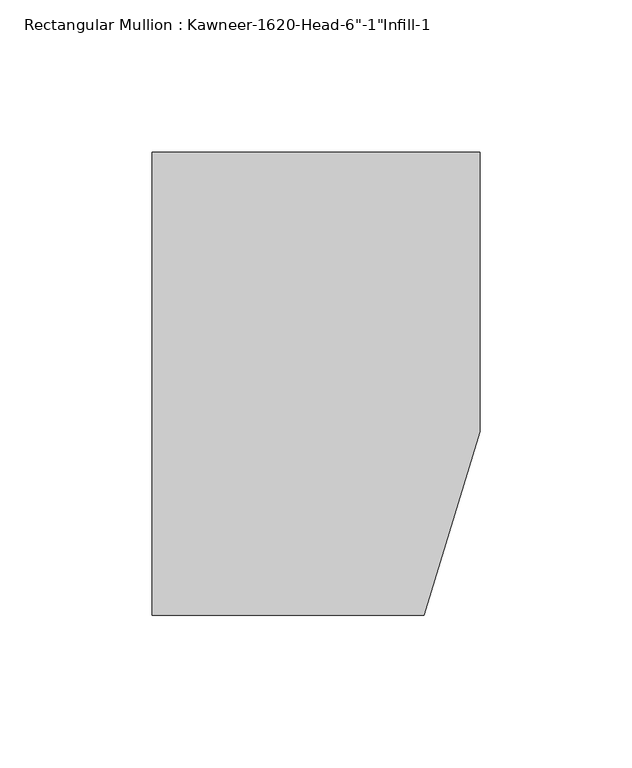
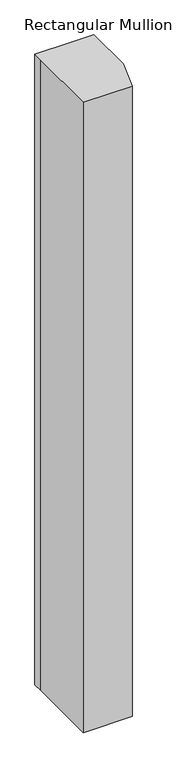
"""IFC4 building model written with IfcOpenShell, lengths in millimetres: member geometry."""

import ifcopenshell
import ifcopenshell.guid

model = None  # the IFC model being written
_history = None  # IfcOwnerHistory: only IFC2X3 demands one
_inside = {}  # id of a spatial element -> (the spatial element, [elements in it])
_under = {}  # id of a project, library or spatial element -> (it, [spatial elements below it])
_declared = {}  # id of a project -> (the project, [libraries it declares])
_typed = {}  # id of a type object -> (the type object, [elements of that type])
_made_of = {}  # id of a material, layer set ... -> (it, [elements and type objects made of it])


def new_model(schema):
    """Start an empty IFC model of exactly this schema.

    Asked for "IFC4X3", IfcOpenShell would pick the latest addendum, in which some entities
    have other attributes; the version numbers below select the first issue.
    IFC2X3 requires an IfcOwnerHistory on every rooted entity: one is made here for all.
    """
    global model, _history
    if schema == "IFC4X3":
        model = ifcopenshell.file(schema_version=(4, 3, 0, 0))
    else:
        model = ifcopenshell.file(schema=schema)
    _inside.clear()
    _under.clear()
    _declared.clear()
    _typed.clear()
    _made_of.clear()
    _history = None
    if model.schema == "IFC2X3":
        org = make("IfcOrganization", Name="unknown")
        user = make(
            "IfcPersonAndOrganization",
            ThePerson=make("IfcPerson", FamilyName="unknown"),
            TheOrganization=org,
        )
        app = make(
            "IfcApplication",
            ApplicationDeveloper=org,
            Version="unknown",
            ApplicationFullName="unknown",
            ApplicationIdentifier="unknown",
        )
        _history = make(
            "IfcOwnerHistory",
            OwningUser=user,
            OwningApplication=app,
            ChangeAction="ADDED",
            CreationDate=0,
        )
    return model


def make(cls, **values):
    """One entity of the class cls with the attributes given. An attribute that is None is left unset."""
    return model.create_entity(
        cls, **{name: value for name, value in values.items() if value is not None}
    )


def rooted(cls, **values):
    """An entity with a GlobalId (a new one), such as an element, a storey or a relation."""
    return make(cls, GlobalId=ifcopenshell.guid.new(), OwnerHistory=_history, **values)


def si_unit(unit_type, name, prefix=None):
    """IfcSIUnit, for example si_unit("LENGTHUNIT", "METRE", prefix="MILLI")."""
    return make("IfcSIUnit", UnitType=unit_type, Prefix=prefix, Name=name)


def assignment(units):
    """IfcUnitAssignment: the units of a project."""
    return None if units is None else make("IfcUnitAssignment", Units=units)


def point(xyz):
    """IfcCartesianPoint."""
    return None if xyz is None else make("IfcCartesianPoint", Coordinates=xyz)


def direction(xyz):
    """IfcDirection."""
    return None if xyz is None else make("IfcDirection", DirectionRatios=xyz)


def frame(location, z_axis=None, x_axis=None):
    """IfcAxis2Placement3D, a coordinate frame: its origin and axes. An axis left out is left unset."""
    return make(
        "IfcAxis2Placement3D",
        Location=point(location),
        Axis=direction(z_axis),
        RefDirection=direction(x_axis),
    )


def origin():
    """The frame at (0, 0, 0) with its axes left unset."""
    return frame((0.0, 0.0, 0.0))


def place(relative_to, where):
    """IfcLocalPlacement: puts the frame where relative to a parent placement (None: the world)."""
    return make(
        "IfcLocalPlacement", PlacementRelTo=relative_to, RelativePlacement=where
    )


def context(
    kind, dimensions, precision=None, world=None, true_north=None, identifier=None
):
    """IfcGeometricRepresentationContext, for example the 3D "Model" context."""
    return make(
        "IfcGeometricRepresentationContext",
        ContextIdentifier=identifier,
        ContextType=kind,
        CoordinateSpaceDimension=dimensions,
        Precision=precision,
        WorldCoordinateSystem=world,
        TrueNorth=true_north,
    )


def project(units=None, contexts=None):
    """IfcProject with its units and contexts."""
    return rooted(
        "IfcProject",
        Name="project",
        RepresentationContexts=contexts,
        UnitsInContext=assignment(units),
    )


def spatial(cls, under=None, at=None, **own):
    """A site, building, storey or space (cls), placed at a placement, below another one or the project."""
    s = rooted(cls, ObjectPlacement=at, **own)
    if under is not None:
        _under.setdefault(under.id(), (under, []))[1].append(s)
    return s


def polyline(points):
    """IfcPolyline through the points."""
    return make("IfcPolyline", Points=[point(p) for p in points])


def outline(outer, holes=None, kind="AREA"):
    """IfcArbitraryClosedProfileDef: a profile drawn as a closed curve; with holes, ...WithVoids."""
    if holes is None:
        return make("IfcArbitraryClosedProfileDef", ProfileType=kind, OuterCurve=outer)
    return make(
        "IfcArbitraryProfileDefWithVoids",
        ProfileType=kind,
        OuterCurve=outer,
        InnerCurves=holes,
    )


def extrude(swept, where, along, depth):
    """IfcExtrudedAreaSolid: the profile swept, set in the frame where, extruded along a direction by depth."""
    return make(
        "IfcExtrudedAreaSolid",
        SweptArea=swept,
        Position=where,
        ExtrudedDirection=direction(along),
        Depth=depth,
    )


def shape(context_of_items, identifier, shape_type, items):
    """IfcShapeRepresentation: the items that make up one representation, for example the "Body"."""
    return make(
        "IfcShapeRepresentation",
        ContextOfItems=context_of_items,
        RepresentationIdentifier=identifier,
        RepresentationType=shape_type,
        Items=items,
    )


def source(mapping_origin, context_of_items, identifier, shape_type, items):
    """IfcRepresentationMap: a shape defined once, which mapped items show again and again."""
    return make(
        "IfcRepresentationMap",
        MappingOrigin=mapping_origin,
        MappedRepresentation=shape(context_of_items, identifier, shape_type, items),
    )


def transform(
    local_origin,
    x_axis=None,
    y_axis=None,
    z_axis=None,
    scale=None,
    scale2=None,
    scale3=None,
    uniform=True,
):
    """IfcCartesianTransformationOperator3D, or its non-uniform kind. x_axis, y_axis, z_axis: its Axis1, 2, 3."""
    if uniform:
        return make(
            "IfcCartesianTransformationOperator3D",
            Axis1=direction(x_axis),
            Axis2=direction(y_axis),
            LocalOrigin=point(local_origin),
            Scale=scale,
            Axis3=direction(z_axis),
        )
    return make(
        "IfcCartesianTransformationOperator3DnonUniform",
        Axis1=direction(x_axis),
        Axis2=direction(y_axis),
        LocalOrigin=point(local_origin),
        Scale=scale,
        Axis3=direction(z_axis),
        Scale2=scale2,
        Scale3=scale3,
    )


def mapped(mapping_source, mapping_target):
    """IfcMappedItem: shows the shape of a source again, moved by a transform."""
    return make(
        "IfcMappedItem", MappingSource=mapping_source, MappingTarget=mapping_target
    )


def made_of(thing, what):
    """Note that an element or type object is made of a material, layer set ...; save() writes the relation."""
    if what is not None:
        _made_of.setdefault(what.id(), (what, []))[1].append(thing)
    return thing


def element(
    cls,
    number,
    at=None,
    inside=None,
    cuts=None,
    type_object=None,
    material=None,
    context=None,
    identifier="Body",
    shape_type=None,
    held_by="IfcProductDefinitionShape",
    body=None,
    shapes=None,
    **own,
):
    """One element of the class cls, such as IfcWall. Its Tag is "e" and its number.

    at: its placement. inside: the storey or other place that contains it. cuts: it is an
    opening in that element (IfcRelVoidsElement). A single representation is given by context,
    identifier, shape_type and body (its items); several are given by shapes. held_by: the class
    of the entity that holds the representations. save() writes the other relations.
    """
    e = rooted(cls, Tag="e%d" % number, ObjectPlacement=at, **own)
    if body is not None:
        shapes = [shape(context, identifier, shape_type, body)]
    if shapes is not None:
        e.Representation = make(held_by, Representations=shapes)
    if inside is not None:
        _inside.setdefault(inside.id(), (inside, []))[1].append(e)
    if cuts is not None:
        rooted(
            "IfcRelVoidsElement", RelatingBuildingElement=cuts, RelatedOpeningElement=e
        )
    if type_object is not None:
        _typed.setdefault(type_object.id(), (type_object, []))[1].append(e)
    return made_of(e, material)


def aggregate(whole, parts):
    """IfcRelAggregates: a whole, such as a stair, and the parts it consists of."""
    return rooted("IfcRelAggregates", RelatingObject=whole, RelatedObjects=parts)


def save(model, path):
    """Write the relations noted so far, then the file.

    IfcRelAggregates (storeys below a building ...), IfcRelContainedInSpatialStructure (elements
    in a storey), IfcRelDefinesByType, IfcRelAssociatesMaterial and IfcRelDeclares: one each for
    every whole, place, type object, material and project.
    """
    for whole, parts in _under.values():
        aggregate(whole, parts)
    for where, things in _inside.values():
        rooted(
            "IfcRelContainedInSpatialStructure",
            RelatedElements=things,
            RelatingStructure=where,
        )
    for kind, things in _typed.values():
        rooted("IfcRelDefinesByType", RelatedObjects=things, RelatingType=kind)
    for what, things in _made_of.values():
        rooted("IfcRelAssociatesMaterial", RelatedObjects=things, RelatingMaterial=what)
    for by, libraries in _declared.values():
        rooted("IfcRelDeclares", RelatingContext=by, RelatedDefinitions=libraries)
    model.write(path)


def member_bfb1afe3(model_context):
    return source(origin(), model_context, "Body", "SweptSolid", [
        extrude(outline(polyline([(-107.95, 19.9095466), (-107.95, 38.1), (-44.1519366, 38.1), (0.0, 38.1), (0.0, -53.975), (-18.3538271, -114.3), (-107.95, -114.3), (-107.95, 19.9095466)])), frame((0.0, 0.0, -1219.2), z_axis=(0.0, 0.0, 1.0), x_axis=(1.0, 0.0, 0.0)), (0.0, 0.0, 1.0), 1219.2),
    ])


if __name__ == "__main__":
    model = new_model("IFC4")
    model_context = context("Model", 3, world=origin())
    ifc_project = project(units=[si_unit("LENGTHUNIT", "METRE", prefix="MILLI")], contexts=[model_context])
    site = spatial("IfcSite", under=ifc_project)
    building = spatial("IfcBuilding", under=site)
    placement = place(None, origin())
    member_shape = member_bfb1afe3(model_context)
    element("IfcMember", 1, ObjectType="Rectangular Mullion : Kawneer-1620-Head-6\"-1\"Infill-1", at=placement, inside=building, context=model_context, shape_type="MappedRepresentation", body=[
        mapped(member_shape, transform((0.0, 0.0, 0.0), x_axis=(1.0, 0.0, 0.0), y_axis=(0.0, 1.0, 0.0), z_axis=(0.0, 0.0, 1.0))),
    ])
    save(model, "model.ifc")
